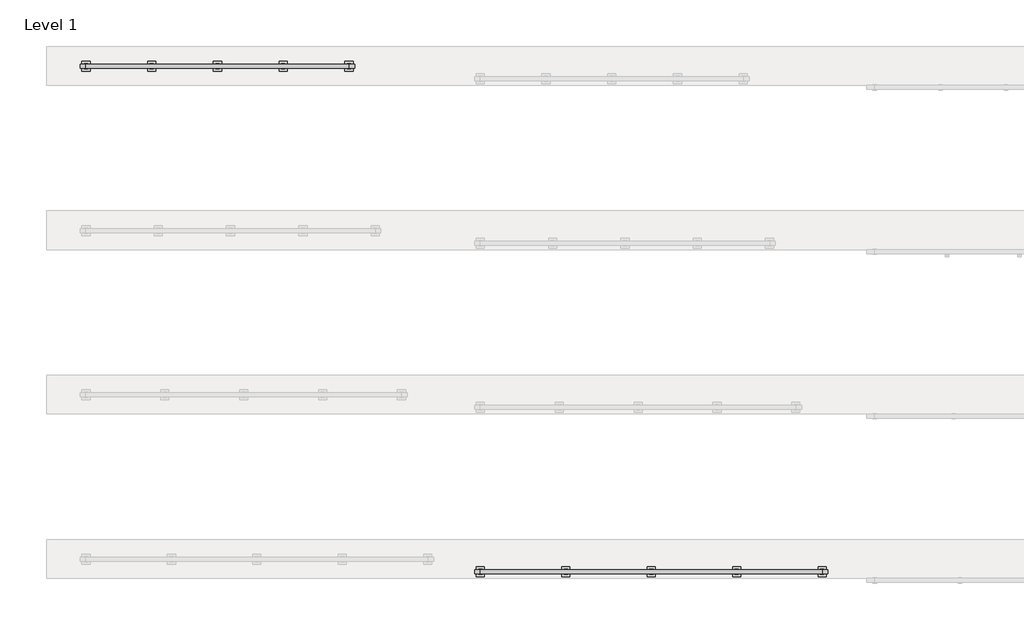
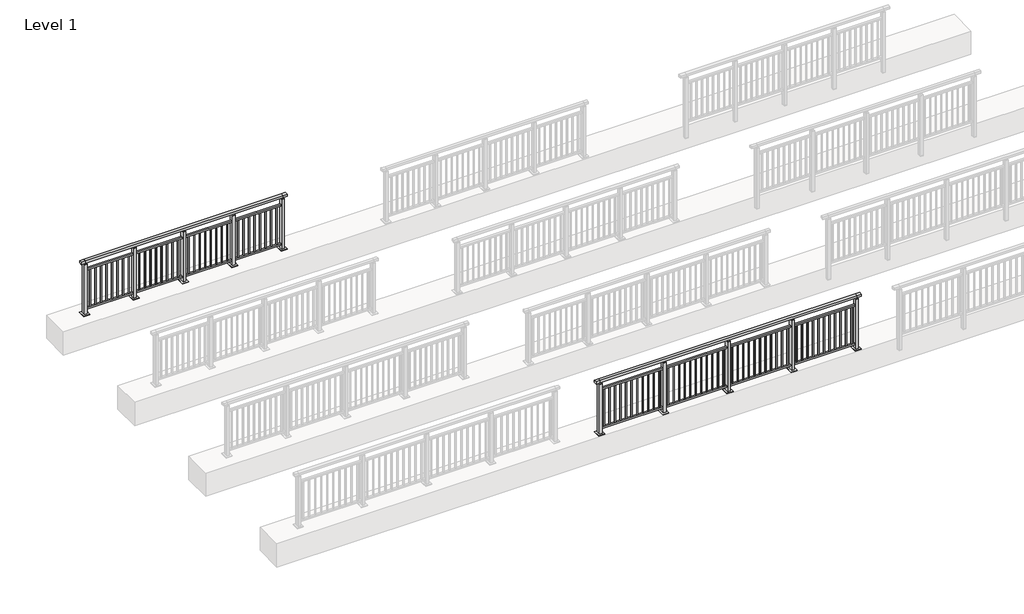
# One storey, part 4 of 38: 2 railings.
"""IFC4 building model written with IfcOpenShell, lengths in millimetres."""

from ifc_helpers import new_model, si_unit, frame, origin, origin_with_axes, place, context, project, spatial, polyline, outline, extrude, faceted_brep, element, save

model = new_model("IFC4")

# Units and contexts
model_context = context("Model", 3, world=origin())
ifc_project = project(units=[si_unit("LENGTHUNIT", "METRE", prefix="MILLI")], contexts=[model_context])

# Site, building, storey
site = spatial("IfcSite", under=ifc_project)
building = spatial("IfcBuilding", under=site)
storey = spatial("IfcBuildingStorey", under=building, Name="Level 1", Elevation=0.0)

# Railings
placement = place(None, origin())
element("IfcRailing", 1, at=placement, inside=storey, context=model_context, shape_type="SolidModel", body=[
    faceted_brep([(6000.0, 30.1846828, 1102.5), (6000.0, 30.1846828, 1150.0), (11200.0, 30.1846828, 1150.0), (11200.0, 30.1846828, 1102.5), (6000.0, -29.8153172, 1102.5), (11200.0, -29.8153172, 1102.5), (6000.0, -29.8153172, 1150.0), (11200.0, -29.8153172, 1150.0), (5912.5, 30.1846828, 1150.0), (5912.5, 30.1846828, 1102.5), (5912.5, -29.8153172, 1102.5), (5912.5, -29.8153172, 1150.0), (11287.5, 30.1846828, 1150.0), (11287.5, -29.8153172, 1150.0), (11287.5, -29.8153172, 1102.5), (11287.5, 30.1846828, 1102.5)], [[[0, 1, 2, 3]], [[4, 0, 3, 5]], [[6, 4, 5, 7]], [[1, 6, 7, 2]], [[8, 9, 10, 11]], [[9, 8, 1, 0]], [[10, 9, 0, 4]], [[11, 10, 4, 6]], [[8, 11, 6, 1]], [[12, 13, 14, 15]], [[3, 2, 12, 15]], [[5, 3, 15, 14]], [[7, 5, 14, 13]], [[2, 7, 13, 12]]]),
    extrude(outline(polyline([(6000.0, -17.8153172), (6000.0, 18.1846828), (11200.0, 18.1846828), (11200.0, -17.8153172), (6000.0, -17.8153172)])), frame((0.0, 0.0, 928.0), z_axis=(0.0, 0.0, 1.0), x_axis=(1.0, 0.0, 0.0)), (0.0, 0.0, 1.0), 32.0),
    extrude(outline(polyline([(6000.0, -17.8153172), (6000.0, 18.1846828), (11200.0, 18.1846828), (11200.0, -17.8153172), (6000.0, -17.8153172)])), frame((0.0, 0.0, 93.0), z_axis=(0.0, 0.0, 1.0), x_axis=(1.0, 0.0, 0.0)), (0.0, 0.0, 1.0), 32.0),
    extrude(outline(polyline([(11118.5, 8.6846828), (11118.5, -8.3153172), (11101.5, -8.3153172), (11101.5, 8.6846828), (11118.5, 8.6846828)])), frame((0.0, 0.0, 125.0), z_axis=(0.0, 0.0, 1.0), x_axis=(1.0, 0.0, 0.0)), (0.0, 0.0, 1.0), 803.0),
    extrude(outline(polyline([(11006.5, 8.6846828), (11006.5, -8.3153172), (10989.5, -8.3153172), (10989.5, 8.6846828), (11006.5, 8.6846828)])), frame((0.0, 0.0, 125.0), z_axis=(0.0, 0.0, 1.0), x_axis=(1.0, 0.0, 0.0)), (0.0, 0.0, 1.0), 803.0),
    extrude(outline(polyline([(10894.5, 8.6846828), (10894.5, -8.3153172), (10877.5, -8.3153172), (10877.5, 8.6846828), (10894.5, 8.6846828)])), frame((0.0, 0.0, 125.0), z_axis=(0.0, 0.0, 1.0), x_axis=(1.0, 0.0, 0.0)), (0.0, 0.0, 1.0), 803.0),
    extrude(outline(polyline([(10782.5, 8.6846828), (10782.5, -8.3153172), (10765.5, -8.3153172), (10765.5, 8.6846828), (10782.5, 8.6846828)])), frame((0.0, 0.0, 125.0), z_axis=(0.0, 0.0, 1.0), x_axis=(1.0, 0.0, 0.0)), (0.0, 0.0, 1.0), 803.0),
    extrude(outline(polyline([(10670.5, 8.6846828), (10670.5, -8.3153172), (10653.5, -8.3153172), (10653.5, 8.6846828), (10670.5, 8.6846828)])), frame((0.0, 0.0, 125.0), z_axis=(0.0, 0.0, 1.0), x_axis=(1.0, 0.0, 0.0)), (0.0, 0.0, 1.0), 803.0),
    extrude(outline(polyline([(10558.5, 8.6846828), (10558.5, -8.3153172), (10541.5, -8.3153172), (10541.5, 8.6846828), (10558.5, 8.6846828)])), frame((0.0, 0.0, 125.0), z_axis=(0.0, 0.0, 1.0), x_axis=(1.0, 0.0, 0.0)), (0.0, 0.0, 1.0), 803.0),
    extrude(outline(polyline([(10446.5, 8.6846828), (10446.5, -8.3153172), (10429.5, -8.3153172), (10429.5, 8.6846828), (10446.5, 8.6846828)])), frame((0.0, 0.0, 125.0), z_axis=(0.0, 0.0, 1.0), x_axis=(1.0, 0.0, 0.0)), (0.0, 0.0, 1.0), 803.0),
    extrude(outline(polyline([(10334.5, 8.6846828), (10334.5, -8.3153172), (10317.5, -8.3153172), (10317.5, 8.6846828), (10334.5, 8.6846828)])), frame((0.0, 0.0, 125.0), z_axis=(0.0, 0.0, 1.0), x_axis=(1.0, 0.0, 0.0)), (0.0, 0.0, 1.0), 803.0),
    extrude(outline(polyline([(10222.5, 8.6846828), (10222.5, -8.3153172), (10205.5, -8.3153172), (10205.5, 8.6846828), (10222.5, 8.6846828)])), frame((0.0, 0.0, 125.0), z_axis=(0.0, 0.0, 1.0), x_axis=(1.0, 0.0, 0.0)), (0.0, 0.0, 1.0), 803.0),
    extrude(outline(polyline([(10110.5, 8.6846828), (10110.5, -8.3153172), (10093.5, -8.3153172), (10093.5, 8.6846828), (10110.5, 8.6846828)])), frame((0.0, 0.0, 125.0), z_axis=(0.0, 0.0, 1.0), x_axis=(1.0, 0.0, 0.0)), (0.0, 0.0, 1.0), 803.0),
    extrude(outline(polyline([(9998.5, 8.6846828), (9998.5, -8.3153172), (9981.5, -8.3153172), (9981.5, 8.6846828), (9998.5, 8.6846828)])), frame((0.0, 0.0, 125.0), z_axis=(0.0, 0.0, 1.0), x_axis=(1.0, 0.0, 0.0)), (0.0, 0.0, 1.0), 803.0),
    extrude(outline(polyline([(9910.0, -9.8153172), (9890.0, -9.8153172), (9890.0, 10.1846828), (9910.0, 10.1846828), (9910.0, -9.8153172)])), frame((0.0, 0.0, 1085.0), z_axis=(0.0, 0.0, 1.0), x_axis=(1.0, 0.0, 0.0)), (0.0, 0.0, 1.0), 20.0),
    extrude(outline(polyline([(9927.0, -38.8153172), (9873.0, -38.8153172), (9873.0, 39.1846828), (9927.0, 39.1846828), (9927.0, -38.8153172)])), frame((0.0, 0.0, 1077.0), z_axis=(0.0, 0.0, 1.0), x_axis=(1.0, 0.0, 0.0)), (0.0, 0.0, 1.0), 8.0),
    extrude(outline(polyline([(9962.5, -74.8153172), (9837.5, -74.8153172), (9837.5, 75.1846828), (9962.5, 75.1846828), (9962.5, -74.8153172)])), origin_with_axes(), (0.0, 0.0, 1.0), 12.0),
    extrude(outline(polyline([(9927.0, -38.8153172), (9873.0, -38.8153172), (9873.0, 39.1846828), (9927.0, 39.1846828), (9927.0, -38.8153172)])), frame((0.0, 0.0, 12.0), z_axis=(0.0, 0.0, 1.0), x_axis=(1.0, 0.0, 0.0)), (0.0, 0.0, 1.0), 1065.0),
    extrude(outline(polyline([(9818.5, 8.6846828), (9818.5, -8.3153172), (9801.5, -8.3153172), (9801.5, 8.6846828), (9818.5, 8.6846828)])), frame((0.0, 0.0, 125.0), z_axis=(0.0, 0.0, 1.0), x_axis=(1.0, 0.0, 0.0)), (0.0, 0.0, 1.0), 803.0),
    extrude(outline(polyline([(9706.5, 8.6846828), (9706.5, -8.3153172), (9689.5, -8.3153172), (9689.5, 8.6846828), (9706.5, 8.6846828)])), frame((0.0, 0.0, 125.0), z_axis=(0.0, 0.0, 1.0), x_axis=(1.0, 0.0, 0.0)), (0.0, 0.0, 1.0), 803.0),
    extrude(outline(polyline([(9594.5, 8.6846828), (9594.5, -8.3153172), (9577.5, -8.3153172), (9577.5, 8.6846828), (9594.5, 8.6846828)])), frame((0.0, 0.0, 125.0), z_axis=(0.0, 0.0, 1.0), x_axis=(1.0, 0.0, 0.0)), (0.0, 0.0, 1.0), 803.0),
    extrude(outline(polyline([(9482.5, 8.6846828), (9482.5, -8.3153172), (9465.5, -8.3153172), (9465.5, 8.6846828), (9482.5, 8.6846828)])), frame((0.0, 0.0, 125.0), z_axis=(0.0, 0.0, 1.0), x_axis=(1.0, 0.0, 0.0)), (0.0, 0.0, 1.0), 803.0),
    extrude(outline(polyline([(9370.5, 8.6846828), (9370.5, -8.3153172), (9353.5, -8.3153172), (9353.5, 8.6846828), (9370.5, 8.6846828)])), frame((0.0, 0.0, 125.0), z_axis=(0.0, 0.0, 1.0), x_axis=(1.0, 0.0, 0.0)), (0.0, 0.0, 1.0), 803.0),
    extrude(outline(polyline([(9258.5, 8.6846828), (9258.5, -8.3153172), (9241.5, -8.3153172), (9241.5, 8.6846828), (9258.5, 8.6846828)])), frame((0.0, 0.0, 125.0), z_axis=(0.0, 0.0, 1.0), x_axis=(1.0, 0.0, 0.0)), (0.0, 0.0, 1.0), 803.0),
    extrude(outline(polyline([(9146.5, 8.6846828), (9146.5, -8.3153172), (9129.5, -8.3153172), (9129.5, 8.6846828), (9146.5, 8.6846828)])), frame((0.0, 0.0, 125.0), z_axis=(0.0, 0.0, 1.0), x_axis=(1.0, 0.0, 0.0)), (0.0, 0.0, 1.0), 803.0),
    extrude(outline(polyline([(9034.5, 8.6846828), (9034.5, -8.3153172), (9017.5, -8.3153172), (9017.5, 8.6846828), (9034.5, 8.6846828)])), frame((0.0, 0.0, 125.0), z_axis=(0.0, 0.0, 1.0), x_axis=(1.0, 0.0, 0.0)), (0.0, 0.0, 1.0), 803.0),
    extrude(outline(polyline([(8922.5, 8.6846828), (8922.5, -8.3153172), (8905.5, -8.3153172), (8905.5, 8.6846828), (8922.5, 8.6846828)])), frame((0.0, 0.0, 125.0), z_axis=(0.0, 0.0, 1.0), x_axis=(1.0, 0.0, 0.0)), (0.0, 0.0, 1.0), 803.0),
    extrude(outline(polyline([(8810.5, 8.6846828), (8810.5, -8.3153172), (8793.5, -8.3153172), (8793.5, 8.6846828), (8810.5, 8.6846828)])), frame((0.0, 0.0, 125.0), z_axis=(0.0, 0.0, 1.0), x_axis=(1.0, 0.0, 0.0)), (0.0, 0.0, 1.0), 803.0),
    extrude(outline(polyline([(8698.5, 8.6846828), (8698.5, -8.3153172), (8681.5, -8.3153172), (8681.5, 8.6846828), (8698.5, 8.6846828)])), frame((0.0, 0.0, 125.0), z_axis=(0.0, 0.0, 1.0), x_axis=(1.0, 0.0, 0.0)), (0.0, 0.0, 1.0), 803.0),
    extrude(outline(polyline([(8610.0, -9.8153172), (8590.0, -9.8153172), (8590.0, 10.1846828), (8610.0, 10.1846828), (8610.0, -9.8153172)])), frame((0.0, 0.0, 1085.0), z_axis=(0.0, 0.0, 1.0), x_axis=(1.0, 0.0, 0.0)), (0.0, 0.0, 1.0), 20.0),
    extrude(outline(polyline([(8627.0, -38.8153172), (8573.0, -38.8153172), (8573.0, 39.1846828), (8627.0, 39.1846828), (8627.0, -38.8153172)])), frame((0.0, 0.0, 1077.0), z_axis=(0.0, 0.0, 1.0), x_axis=(1.0, 0.0, 0.0)), (0.0, 0.0, 1.0), 8.0),
    extrude(outline(polyline([(8662.5, -74.8153172), (8537.5, -74.8153172), (8537.5, 75.1846828), (8662.5, 75.1846828), (8662.5, -74.8153172)])), origin_with_axes(), (0.0, 0.0, 1.0), 12.0),
    extrude(outline(polyline([(8627.0, -38.8153172), (8573.0, -38.8153172), (8573.0, 39.1846828), (8627.0, 39.1846828), (8627.0, -38.8153172)])), frame((0.0, 0.0, 12.0), z_axis=(0.0, 0.0, 1.0), x_axis=(1.0, 0.0, 0.0)), (0.0, 0.0, 1.0), 1065.0),
    extrude(outline(polyline([(8518.5, 8.6846828), (8518.5, -8.3153172), (8501.5, -8.3153172), (8501.5, 8.6846828), (8518.5, 8.6846828)])), frame((0.0, 0.0, 125.0), z_axis=(0.0, 0.0, 1.0), x_axis=(1.0, 0.0, 0.0)), (0.0, 0.0, 1.0), 803.0),
    extrude(outline(polyline([(8406.5, 8.6846828), (8406.5, -8.3153172), (8389.5, -8.3153172), (8389.5, 8.6846828), (8406.5, 8.6846828)])), frame((0.0, 0.0, 125.0), z_axis=(0.0, 0.0, 1.0), x_axis=(1.0, 0.0, 0.0)), (0.0, 0.0, 1.0), 803.0),
    extrude(outline(polyline([(8294.5, 8.6846828), (8294.5, -8.3153172), (8277.5, -8.3153172), (8277.5, 8.6846828), (8294.5, 8.6846828)])), frame((0.0, 0.0, 125.0), z_axis=(0.0, 0.0, 1.0), x_axis=(1.0, 0.0, 0.0)), (0.0, 0.0, 1.0), 803.0),
    extrude(outline(polyline([(8182.5, 8.6846828), (8182.5, -8.3153172), (8165.5, -8.3153172), (8165.5, 8.6846828), (8182.5, 8.6846828)])), frame((0.0, 0.0, 125.0), z_axis=(0.0, 0.0, 1.0), x_axis=(1.0, 0.0, 0.0)), (0.0, 0.0, 1.0), 803.0),
    extrude(outline(polyline([(8070.5, 8.6846828), (8070.5, -8.3153172), (8053.5, -8.3153172), (8053.5, 8.6846828), (8070.5, 8.6846828)])), frame((0.0, 0.0, 125.0), z_axis=(0.0, 0.0, 1.0), x_axis=(1.0, 0.0, 0.0)), (0.0, 0.0, 1.0), 803.0),
    extrude(outline(polyline([(7958.5, 8.6846828), (7958.5, -8.3153172), (7941.5, -8.3153172), (7941.5, 8.6846828), (7958.5, 8.6846828)])), frame((0.0, 0.0, 125.0), z_axis=(0.0, 0.0, 1.0), x_axis=(1.0, 0.0, 0.0)), (0.0, 0.0, 1.0), 803.0),
    extrude(outline(polyline([(7846.5, 8.6846828), (7846.5, -8.3153172), (7829.5, -8.3153172), (7829.5, 8.6846828), (7846.5, 8.6846828)])), frame((0.0, 0.0, 125.0), z_axis=(0.0, 0.0, 1.0), x_axis=(1.0, 0.0, 0.0)), (0.0, 0.0, 1.0), 803.0),
    extrude(outline(polyline([(7734.5, 8.6846828), (7734.5, -8.3153172), (7717.5, -8.3153172), (7717.5, 8.6846828), (7734.5, 8.6846828)])), frame((0.0, 0.0, 125.0), z_axis=(0.0, 0.0, 1.0), x_axis=(1.0, 0.0, 0.0)), (0.0, 0.0, 1.0), 803.0),
    extrude(outline(polyline([(7622.5, 8.6846828), (7622.5, -8.3153172), (7605.5, -8.3153172), (7605.5, 8.6846828), (7622.5, 8.6846828)])), frame((0.0, 0.0, 125.0), z_axis=(0.0, 0.0, 1.0), x_axis=(1.0, 0.0, 0.0)), (0.0, 0.0, 1.0), 803.0),
    extrude(outline(polyline([(7510.5, 8.6846828), (7510.5, -8.3153172), (7493.5, -8.3153172), (7493.5, 8.6846828), (7510.5, 8.6846828)])), frame((0.0, 0.0, 125.0), z_axis=(0.0, 0.0, 1.0), x_axis=(1.0, 0.0, 0.0)), (0.0, 0.0, 1.0), 803.0),
    extrude(outline(polyline([(7398.5, 8.6846828), (7398.5, -8.3153172), (7381.5, -8.3153172), (7381.5, 8.6846828), (7398.5, 8.6846828)])), frame((0.0, 0.0, 125.0), z_axis=(0.0, 0.0, 1.0), x_axis=(1.0, 0.0, 0.0)), (0.0, 0.0, 1.0), 803.0),
    extrude(outline(polyline([(7310.0, -9.8153172), (7290.0, -9.8153172), (7290.0, 10.1846828), (7310.0, 10.1846828), (7310.0, -9.8153172)])), frame((0.0, 0.0, 1085.0), z_axis=(0.0, 0.0, 1.0), x_axis=(1.0, 0.0, 0.0)), (0.0, 0.0, 1.0), 20.0),
    extrude(outline(polyline([(7327.0, -38.8153172), (7273.0, -38.8153172), (7273.0, 39.1846828), (7327.0, 39.1846828), (7327.0, -38.8153172)])), frame((0.0, 0.0, 1077.0), z_axis=(0.0, 0.0, 1.0), x_axis=(1.0, 0.0, 0.0)), (0.0, 0.0, 1.0), 8.0),
    extrude(outline(polyline([(7362.5, -74.8153172), (7237.5, -74.8153172), (7237.5, 75.1846828), (7362.5, 75.1846828), (7362.5, -74.8153172)])), origin_with_axes(), (0.0, 0.0, 1.0), 12.0),
    extrude(outline(polyline([(7327.0, -38.8153172), (7273.0, -38.8153172), (7273.0, 39.1846828), (7327.0, 39.1846828), (7327.0, -38.8153172)])), frame((0.0, 0.0, 12.0), z_axis=(0.0, 0.0, 1.0), x_axis=(1.0, 0.0, 0.0)), (0.0, 0.0, 1.0), 1065.0),
    extrude(outline(polyline([(7218.5, 8.6846828), (7218.5, -8.3153172), (7201.5, -8.3153172), (7201.5, 8.6846828), (7218.5, 8.6846828)])), frame((0.0, 0.0, 125.0), z_axis=(0.0, 0.0, 1.0), x_axis=(1.0, 0.0, 0.0)), (0.0, 0.0, 1.0), 803.0),
    extrude(outline(polyline([(7106.5, 8.6846828), (7106.5, -8.3153172), (7089.5, -8.3153172), (7089.5, 8.6846828), (7106.5, 8.6846828)])), frame((0.0, 0.0, 125.0), z_axis=(0.0, 0.0, 1.0), x_axis=(1.0, 0.0, 0.0)), (0.0, 0.0, 1.0), 803.0),
    extrude(outline(polyline([(6994.5, 8.6846828), (6994.5, -8.3153172), (6977.5, -8.3153172), (6977.5, 8.6846828), (6994.5, 8.6846828)])), frame((0.0, 0.0, 125.0), z_axis=(0.0, 0.0, 1.0), x_axis=(1.0, 0.0, 0.0)), (0.0, 0.0, 1.0), 803.0),
    extrude(outline(polyline([(6882.5, 8.6846828), (6882.5, -8.3153172), (6865.5, -8.3153172), (6865.5, 8.6846828), (6882.5, 8.6846828)])), frame((0.0, 0.0, 125.0), z_axis=(0.0, 0.0, 1.0), x_axis=(1.0, 0.0, 0.0)), (0.0, 0.0, 1.0), 803.0),
    extrude(outline(polyline([(6770.5, 8.6846828), (6770.5, -8.3153172), (6753.5, -8.3153172), (6753.5, 8.6846828), (6770.5, 8.6846828)])), frame((0.0, 0.0, 125.0), z_axis=(0.0, 0.0, 1.0), x_axis=(1.0, 0.0, 0.0)), (0.0, 0.0, 1.0), 803.0),
    extrude(outline(polyline([(6658.5, 8.6846828), (6658.5, -8.3153172), (6641.5, -8.3153172), (6641.5, 8.6846828), (6658.5, 8.6846828)])), frame((0.0, 0.0, 125.0), z_axis=(0.0, 0.0, 1.0), x_axis=(1.0, 0.0, 0.0)), (0.0, 0.0, 1.0), 803.0),
    extrude(outline(polyline([(6546.5, 8.6846828), (6546.5, -8.3153172), (6529.5, -8.3153172), (6529.5, 8.6846828), (6546.5, 8.6846828)])), frame((0.0, 0.0, 125.0), z_axis=(0.0, 0.0, 1.0), x_axis=(1.0, 0.0, 0.0)), (0.0, 0.0, 1.0), 803.0),
    extrude(outline(polyline([(6434.5, 8.6846828), (6434.5, -8.3153172), (6417.5, -8.3153172), (6417.5, 8.6846828), (6434.5, 8.6846828)])), frame((0.0, 0.0, 125.0), z_axis=(0.0, 0.0, 1.0), x_axis=(1.0, 0.0, 0.0)), (0.0, 0.0, 1.0), 803.0),
    extrude(outline(polyline([(6322.5, 8.6846828), (6322.5, -8.3153172), (6305.5, -8.3153172), (6305.5, 8.6846828), (6322.5, 8.6846828)])), frame((0.0, 0.0, 125.0), z_axis=(0.0, 0.0, 1.0), x_axis=(1.0, 0.0, 0.0)), (0.0, 0.0, 1.0), 803.0),
    extrude(outline(polyline([(6210.5, 8.6846828), (6210.5, -8.3153172), (6193.5, -8.3153172), (6193.5, 8.6846828), (6210.5, 8.6846828)])), frame((0.0, 0.0, 125.0), z_axis=(0.0, 0.0, 1.0), x_axis=(1.0, 0.0, 0.0)), (0.0, 0.0, 1.0), 803.0),
    extrude(outline(polyline([(6098.5, 8.6846828), (6098.5, -8.3153172), (6081.5, -8.3153172), (6081.5, 8.6846828), (6098.5, 8.6846828)])), frame((0.0, 0.0, 125.0), z_axis=(0.0, 0.0, 1.0), x_axis=(1.0, 0.0, 0.0)), (0.0, 0.0, 1.0), 803.0),
    extrude(outline(polyline([(11210.0, -9.8153172), (11190.0, -9.8153172), (11190.0, 10.1846828), (11210.0, 10.1846828), (11210.0, -9.8153172)])), frame((0.0, 0.0, 1085.0), z_axis=(0.0, 0.0, 1.0), x_axis=(1.0, 0.0, 0.0)), (0.0, 0.0, 1.0), 20.0),
    extrude(outline(polyline([(11227.0, -38.8153172), (11173.0, -38.8153172), (11173.0, 39.1846828), (11227.0, 39.1846828), (11227.0, -38.8153172)])), frame((0.0, 0.0, 1077.0), z_axis=(0.0, 0.0, 1.0), x_axis=(1.0, 0.0, 0.0)), (0.0, 0.0, 1.0), 8.0),
    extrude(outline(polyline([(11262.5, -74.8153172), (11137.5, -74.8153172), (11137.5, 75.1846828), (11262.5, 75.1846828), (11262.5, -74.8153172)])), origin_with_axes(), (0.0, 0.0, 1.0), 12.0),
    extrude(outline(polyline([(11227.0, -38.8153172), (11173.0, -38.8153172), (11173.0, 39.1846828), (11227.0, 39.1846828), (11227.0, -38.8153172)])), frame((0.0, 0.0, 12.0), z_axis=(0.0, 0.0, 1.0), x_axis=(1.0, 0.0, 0.0)), (0.0, 0.0, 1.0), 1065.0),
    extrude(outline(polyline([(6010.0, -9.8153172), (5990.0, -9.8153172), (5990.0, 10.1846828), (6010.0, 10.1846828), (6010.0, -9.8153172)])), frame((0.0, 0.0, 1085.0), z_axis=(0.0, 0.0, 1.0), x_axis=(1.0, 0.0, 0.0)), (0.0, 0.0, 1.0), 20.0),
    extrude(outline(polyline([(6027.0, -38.8153172), (5973.0, -38.8153172), (5973.0, 39.1846828), (6027.0, 39.1846828), (6027.0, -38.8153172)])), frame((0.0, 0.0, 1077.0), z_axis=(0.0, 0.0, 1.0), x_axis=(1.0, 0.0, 0.0)), (0.0, 0.0, 1.0), 8.0),
    extrude(outline(polyline([(6062.5, -74.8153172), (5937.5, -74.8153172), (5937.5, 75.1846828), (6062.5, 75.1846828), (6062.5, -74.8153172)])), origin_with_axes(), (0.0, 0.0, 1.0), 12.0),
    extrude(outline(polyline([(6027.0, -38.8153172), (5973.0, -38.8153172), (5973.0, 39.1846828), (6027.0, 39.1846828), (6027.0, -38.8153172)])), frame((0.0, 0.0, 12.0), z_axis=(0.0, 0.0, 1.0), x_axis=(1.0, 0.0, 0.0)), (0.0, 0.0, 1.0), 1065.0),
])
element("IfcRailing", 2, at=placement, inside=storey, context=model_context, shape_type="SolidModel", body=[
    faceted_brep([(0.0, 7720.1846828, 1102.5), (0.0, 7720.1846828, 1150.0), (4000.0, 7720.1846828, 1150.0), (4000.0, 7720.1846828, 1102.5), (0.0, 7660.1846828, 1102.5), (4000.0, 7660.1846828, 1102.5), (0.0, 7660.1846828, 1150.0), (4000.0, 7660.1846828, 1150.0), (-87.5, 7720.1846828, 1150.0), (-87.5, 7720.1846828, 1102.5), (-87.5, 7660.1846828, 1102.5), (-87.5, 7660.1846828, 1150.0), (4087.5, 7720.1846828, 1150.0), (4087.5, 7660.1846828, 1150.0), (4087.5, 7660.1846828, 1102.5), (4087.5, 7720.1846828, 1102.5)], [[[0, 1, 2, 3]], [[4, 0, 3, 5]], [[6, 4, 5, 7]], [[1, 6, 7, 2]], [[8, 9, 10, 11]], [[9, 8, 1, 0]], [[10, 9, 0, 4]], [[11, 10, 4, 6]], [[8, 11, 6, 1]], [[12, 13, 14, 15]], [[3, 2, 12, 15]], [[5, 3, 15, 14]], [[7, 5, 14, 13]], [[2, 7, 13, 12]]]),
    extrude(outline(polyline([(0.0, 7672.1846828), (0.0, 7708.1846828), (4000.0, 7708.1846828), (4000.0, 7672.1846828), (0.0, 7672.1846828)])), frame((0.0, 0.0, 928.0), z_axis=(0.0, 0.0, 1.0), x_axis=(1.0, 0.0, 0.0)), (0.0, 0.0, 1.0), 32.0),
    extrude(outline(polyline([(0.0, 7672.1846828), (0.0, 7708.1846828), (4000.0, 7708.1846828), (4000.0, 7672.1846828), (0.0, 7672.1846828)])), frame((0.0, 0.0, 93.0), z_axis=(0.0, 0.0, 1.0), x_axis=(1.0, 0.0, 0.0)), (0.0, 0.0, 1.0), 32.0),
    extrude(outline(polyline([(3900.5, 7698.6846828), (3900.5, 7681.6846828), (3883.5, 7681.6846828), (3883.5, 7698.6846828), (3900.5, 7698.6846828)])), frame((0.0, 0.0, 125.0), z_axis=(0.0, 0.0, 1.0), x_axis=(1.0, 0.0, 0.0)), (0.0, 0.0, 1.0), 803.0),
    extrude(outline(polyline([(3788.5, 7698.6846828), (3788.5, 7681.6846828), (3771.5, 7681.6846828), (3771.5, 7698.6846828), (3788.5, 7698.6846828)])), frame((0.0, 0.0, 125.0), z_axis=(0.0, 0.0, 1.0), x_axis=(1.0, 0.0, 0.0)), (0.0, 0.0, 1.0), 803.0),
    extrude(outline(polyline([(3676.5, 7698.6846828), (3676.5, 7681.6846828), (3659.5, 7681.6846828), (3659.5, 7698.6846828), (3676.5, 7698.6846828)])), frame((0.0, 0.0, 125.0), z_axis=(0.0, 0.0, 1.0), x_axis=(1.0, 0.0, 0.0)), (0.0, 0.0, 1.0), 803.0),
    extrude(outline(polyline([(3564.5, 7698.6846828), (3564.5, 7681.6846828), (3547.5, 7681.6846828), (3547.5, 7698.6846828), (3564.5, 7698.6846828)])), frame((0.0, 0.0, 125.0), z_axis=(0.0, 0.0, 1.0), x_axis=(1.0, 0.0, 0.0)), (0.0, 0.0, 1.0), 803.0),
    extrude(outline(polyline([(3452.5, 7698.6846828), (3452.5, 7681.6846828), (3435.5, 7681.6846828), (3435.5, 7698.6846828), (3452.5, 7698.6846828)])), frame((0.0, 0.0, 125.0), z_axis=(0.0, 0.0, 1.0), x_axis=(1.0, 0.0, 0.0)), (0.0, 0.0, 1.0), 803.0),
    extrude(outline(polyline([(3340.5, 7698.6846828), (3340.5, 7681.6846828), (3323.5, 7681.6846828), (3323.5, 7698.6846828), (3340.5, 7698.6846828)])), frame((0.0, 0.0, 125.0), z_axis=(0.0, 0.0, 1.0), x_axis=(1.0, 0.0, 0.0)), (0.0, 0.0, 1.0), 803.0),
    extrude(outline(polyline([(3228.5, 7698.6846828), (3228.5, 7681.6846828), (3211.5, 7681.6846828), (3211.5, 7698.6846828), (3228.5, 7698.6846828)])), frame((0.0, 0.0, 125.0), z_axis=(0.0, 0.0, 1.0), x_axis=(1.0, 0.0, 0.0)), (0.0, 0.0, 1.0), 803.0),
    extrude(outline(polyline([(3116.5, 7698.6846828), (3116.5, 7681.6846828), (3099.5, 7681.6846828), (3099.5, 7698.6846828), (3116.5, 7698.6846828)])), frame((0.0, 0.0, 125.0), z_axis=(0.0, 0.0, 1.0), x_axis=(1.0, 0.0, 0.0)), (0.0, 0.0, 1.0), 803.0),
    extrude(outline(polyline([(3010.0, 7680.1846828), (2990.0, 7680.1846828), (2990.0, 7700.1846828), (3010.0, 7700.1846828), (3010.0, 7680.1846828)])), frame((0.0, 0.0, 1085.0), z_axis=(0.0, 0.0, 1.0), x_axis=(1.0, 0.0, 0.0)), (0.0, 0.0, 1.0), 20.0),
    extrude(outline(polyline([(3027.0, 7651.1846828), (2973.0, 7651.1846828), (2973.0, 7729.1846828), (3027.0, 7729.1846828), (3027.0, 7651.1846828)])), frame((0.0, 0.0, 1077.0), z_axis=(0.0, 0.0, 1.0), x_axis=(1.0, 0.0, 0.0)), (0.0, 0.0, 1.0), 8.0),
    extrude(outline(polyline([(3062.5, 7615.1846828), (2937.5, 7615.1846828), (2937.5, 7765.1846828), (3062.5, 7765.1846828), (3062.5, 7615.1846828)])), origin_with_axes(), (0.0, 0.0, 1.0), 12.0),
    extrude(outline(polyline([(3027.0, 7651.1846828), (2973.0, 7651.1846828), (2973.0, 7729.1846828), (3027.0, 7729.1846828), (3027.0, 7651.1846828)])), frame((0.0, 0.0, 12.0), z_axis=(0.0, 0.0, 1.0), x_axis=(1.0, 0.0, 0.0)), (0.0, 0.0, 1.0), 1065.0),
    extrude(outline(polyline([(2900.5, 7698.6846828), (2900.5, 7681.6846828), (2883.5, 7681.6846828), (2883.5, 7698.6846828), (2900.5, 7698.6846828)])), frame((0.0, 0.0, 125.0), z_axis=(0.0, 0.0, 1.0), x_axis=(1.0, 0.0, 0.0)), (0.0, 0.0, 1.0), 803.0),
    extrude(outline(polyline([(2788.5, 7698.6846828), (2788.5, 7681.6846828), (2771.5, 7681.6846828), (2771.5, 7698.6846828), (2788.5, 7698.6846828)])), frame((0.0, 0.0, 125.0), z_axis=(0.0, 0.0, 1.0), x_axis=(1.0, 0.0, 0.0)), (0.0, 0.0, 1.0), 803.0),
    extrude(outline(polyline([(2676.5, 7698.6846828), (2676.5, 7681.6846828), (2659.5, 7681.6846828), (2659.5, 7698.6846828), (2676.5, 7698.6846828)])), frame((0.0, 0.0, 125.0), z_axis=(0.0, 0.0, 1.0), x_axis=(1.0, 0.0, 0.0)), (0.0, 0.0, 1.0), 803.0),
    extrude(outline(polyline([(2564.5, 7698.6846828), (2564.5, 7681.6846828), (2547.5, 7681.6846828), (2547.5, 7698.6846828), (2564.5, 7698.6846828)])), frame((0.0, 0.0, 125.0), z_axis=(0.0, 0.0, 1.0), x_axis=(1.0, 0.0, 0.0)), (0.0, 0.0, 1.0), 803.0),
    extrude(outline(polyline([(2452.5, 7698.6846828), (2452.5, 7681.6846828), (2435.5, 7681.6846828), (2435.5, 7698.6846828), (2452.5, 7698.6846828)])), frame((0.0, 0.0, 125.0), z_axis=(0.0, 0.0, 1.0), x_axis=(1.0, 0.0, 0.0)), (0.0, 0.0, 1.0), 803.0),
    extrude(outline(polyline([(2340.5, 7698.6846828), (2340.5, 7681.6846828), (2323.5, 7681.6846828), (2323.5, 7698.6846828), (2340.5, 7698.6846828)])), frame((0.0, 0.0, 125.0), z_axis=(0.0, 0.0, 1.0), x_axis=(1.0, 0.0, 0.0)), (0.0, 0.0, 1.0), 803.0),
    extrude(outline(polyline([(2228.5, 7698.6846828), (2228.5, 7681.6846828), (2211.5, 7681.6846828), (2211.5, 7698.6846828), (2228.5, 7698.6846828)])), frame((0.0, 0.0, 125.0), z_axis=(0.0, 0.0, 1.0), x_axis=(1.0, 0.0, 0.0)), (0.0, 0.0, 1.0), 803.0),
    extrude(outline(polyline([(2116.5, 7698.6846828), (2116.5, 7681.6846828), (2099.5, 7681.6846828), (2099.5, 7698.6846828), (2116.5, 7698.6846828)])), frame((0.0, 0.0, 125.0), z_axis=(0.0, 0.0, 1.0), x_axis=(1.0, 0.0, 0.0)), (0.0, 0.0, 1.0), 803.0),
    extrude(outline(polyline([(2010.0, 7680.1846828), (1990.0, 7680.1846828), (1990.0, 7700.1846828), (2010.0, 7700.1846828), (2010.0, 7680.1846828)])), frame((0.0, 0.0, 1085.0), z_axis=(0.0, 0.0, 1.0), x_axis=(1.0, 0.0, 0.0)), (0.0, 0.0, 1.0), 20.0),
    extrude(outline(polyline([(2027.0, 7651.1846828), (1973.0, 7651.1846828), (1973.0, 7729.1846828), (2027.0, 7729.1846828), (2027.0, 7651.1846828)])), frame((0.0, 0.0, 1077.0), z_axis=(0.0, 0.0, 1.0), x_axis=(1.0, 0.0, 0.0)), (0.0, 0.0, 1.0), 8.0),
    extrude(outline(polyline([(2062.5, 7615.1846828), (1937.5, 7615.1846828), (1937.5, 7765.1846828), (2062.5, 7765.1846828), (2062.5, 7615.1846828)])), origin_with_axes(), (0.0, 0.0, 1.0), 12.0),
    extrude(outline(polyline([(2027.0, 7651.1846828), (1973.0, 7651.1846828), (1973.0, 7729.1846828), (2027.0, 7729.1846828), (2027.0, 7651.1846828)])), frame((0.0, 0.0, 12.0), z_axis=(0.0, 0.0, 1.0), x_axis=(1.0, 0.0, 0.0)), (0.0, 0.0, 1.0), 1065.0),
    extrude(outline(polyline([(1900.5, 7698.6846828), (1900.5, 7681.6846828), (1883.5, 7681.6846828), (1883.5, 7698.6846828), (1900.5, 7698.6846828)])), frame((0.0, 0.0, 125.0), z_axis=(0.0, 0.0, 1.0), x_axis=(1.0, 0.0, 0.0)), (0.0, 0.0, 1.0), 803.0),
    extrude(outline(polyline([(1788.5, 7698.6846828), (1788.5, 7681.6846828), (1771.5, 7681.6846828), (1771.5, 7698.6846828), (1788.5, 7698.6846828)])), frame((0.0, 0.0, 125.0), z_axis=(0.0, 0.0, 1.0), x_axis=(1.0, 0.0, 0.0)), (0.0, 0.0, 1.0), 803.0),
    extrude(outline(polyline([(1676.5, 7698.6846828), (1676.5, 7681.6846828), (1659.5, 7681.6846828), (1659.5, 7698.6846828), (1676.5, 7698.6846828)])), frame((0.0, 0.0, 125.0), z_axis=(0.0, 0.0, 1.0), x_axis=(1.0, 0.0, 0.0)), (0.0, 0.0, 1.0), 803.0),
    extrude(outline(polyline([(1564.5, 7698.6846828), (1564.5, 7681.6846828), (1547.5, 7681.6846828), (1547.5, 7698.6846828), (1564.5, 7698.6846828)])), frame((0.0, 0.0, 125.0), z_axis=(0.0, 0.0, 1.0), x_axis=(1.0, 0.0, 0.0)), (0.0, 0.0, 1.0), 803.0),
    extrude(outline(polyline([(1452.5, 7698.6846828), (1452.5, 7681.6846828), (1435.5, 7681.6846828), (1435.5, 7698.6846828), (1452.5, 7698.6846828)])), frame((0.0, 0.0, 125.0), z_axis=(0.0, 0.0, 1.0), x_axis=(1.0, 0.0, 0.0)), (0.0, 0.0, 1.0), 803.0),
    extrude(outline(polyline([(1340.5, 7698.6846828), (1340.5, 7681.6846828), (1323.5, 7681.6846828), (1323.5, 7698.6846828), (1340.5, 7698.6846828)])), frame((0.0, 0.0, 125.0), z_axis=(0.0, 0.0, 1.0), x_axis=(1.0, 0.0, 0.0)), (0.0, 0.0, 1.0), 803.0),
    extrude(outline(polyline([(1228.5, 7698.6846828), (1228.5, 7681.6846828), (1211.5, 7681.6846828), (1211.5, 7698.6846828), (1228.5, 7698.6846828)])), frame((0.0, 0.0, 125.0), z_axis=(0.0, 0.0, 1.0), x_axis=(1.0, 0.0, 0.0)), (0.0, 0.0, 1.0), 803.0),
    extrude(outline(polyline([(1116.5, 7698.6846828), (1116.5, 7681.6846828), (1099.5, 7681.6846828), (1099.5, 7698.6846828), (1116.5, 7698.6846828)])), frame((0.0, 0.0, 125.0), z_axis=(0.0, 0.0, 1.0), x_axis=(1.0, 0.0, 0.0)), (0.0, 0.0, 1.0), 803.0),
    extrude(outline(polyline([(1010.0, 7680.1846828), (990.0, 7680.1846828), (990.0, 7700.1846828), (1010.0, 7700.1846828), (1010.0, 7680.1846828)])), frame((0.0, 0.0, 1085.0), z_axis=(0.0, 0.0, 1.0), x_axis=(1.0, 0.0, 0.0)), (0.0, 0.0, 1.0), 20.0),
    extrude(outline(polyline([(1027.0, 7651.1846828), (973.0, 7651.1846828), (973.0, 7729.1846828), (1027.0, 7729.1846828), (1027.0, 7651.1846828)])), frame((0.0, 0.0, 1077.0), z_axis=(0.0, 0.0, 1.0), x_axis=(1.0, 0.0, 0.0)), (0.0, 0.0, 1.0), 8.0),
    extrude(outline(polyline([(1062.5, 7615.1846828), (937.5, 7615.1846828), (937.5, 7765.1846828), (1062.5, 7765.1846828), (1062.5, 7615.1846828)])), origin_with_axes(), (0.0, 0.0, 1.0), 12.0),
    extrude(outline(polyline([(1027.0, 7651.1846828), (973.0, 7651.1846828), (973.0, 7729.1846828), (1027.0, 7729.1846828), (1027.0, 7651.1846828)])), frame((0.0, 0.0, 12.0), z_axis=(0.0, 0.0, 1.0), x_axis=(1.0, 0.0, 0.0)), (0.0, 0.0, 1.0), 1065.0),
    extrude(outline(polyline([(900.5, 7698.6846828), (900.5, 7681.6846828), (883.5, 7681.6846828), (883.5, 7698.6846828), (900.5, 7698.6846828)])), frame((0.0, 0.0, 125.0), z_axis=(0.0, 0.0, 1.0), x_axis=(1.0, 0.0, 0.0)), (0.0, 0.0, 1.0), 803.0),
    extrude(outline(polyline([(788.5, 7698.6846828), (788.5, 7681.6846828), (771.5, 7681.6846828), (771.5, 7698.6846828), (788.5, 7698.6846828)])), frame((0.0, 0.0, 125.0), z_axis=(0.0, 0.0, 1.0), x_axis=(1.0, 0.0, 0.0)), (0.0, 0.0, 1.0), 803.0),
    extrude(outline(polyline([(676.5, 7698.6846828), (676.5, 7681.6846828), (659.5, 7681.6846828), (659.5, 7698.6846828), (676.5, 7698.6846828)])), frame((0.0, 0.0, 125.0), z_axis=(0.0, 0.0, 1.0), x_axis=(1.0, 0.0, 0.0)), (0.0, 0.0, 1.0), 803.0),
    extrude(outline(polyline([(564.5, 7698.6846828), (564.5, 7681.6846828), (547.5, 7681.6846828), (547.5, 7698.6846828), (564.5, 7698.6846828)])), frame((0.0, 0.0, 125.0), z_axis=(0.0, 0.0, 1.0), x_axis=(1.0, 0.0, 0.0)), (0.0, 0.0, 1.0), 803.0),
    extrude(outline(polyline([(452.5, 7698.6846828), (452.5, 7681.6846828), (435.5, 7681.6846828), (435.5, 7698.6846828), (452.5, 7698.6846828)])), frame((0.0, 0.0, 125.0), z_axis=(0.0, 0.0, 1.0), x_axis=(1.0, 0.0, 0.0)), (0.0, 0.0, 1.0), 803.0),
    extrude(outline(polyline([(340.5, 7698.6846828), (340.5, 7681.6846828), (323.5, 7681.6846828), (323.5, 7698.6846828), (340.5, 7698.6846828)])), frame((0.0, 0.0, 125.0), z_axis=(0.0, 0.0, 1.0), x_axis=(1.0, 0.0, 0.0)), (0.0, 0.0, 1.0), 803.0),
    extrude(outline(polyline([(228.5, 7698.6846828), (228.5, 7681.6846828), (211.5, 7681.6846828), (211.5, 7698.6846828), (228.5, 7698.6846828)])), frame((0.0, 0.0, 125.0), z_axis=(0.0, 0.0, 1.0), x_axis=(1.0, 0.0, 0.0)), (0.0, 0.0, 1.0), 803.0),
    extrude(outline(polyline([(116.5, 7698.6846828), (116.5, 7681.6846828), (99.5, 7681.6846828), (99.5, 7698.6846828), (116.5, 7698.6846828)])), frame((0.0, 0.0, 125.0), z_axis=(0.0, 0.0, 1.0), x_axis=(1.0, 0.0, 0.0)), (0.0, 0.0, 1.0), 803.0),
    extrude(outline(polyline([(4010.0, 7680.1846828), (3990.0, 7680.1846828), (3990.0, 7700.1846828), (4010.0, 7700.1846828), (4010.0, 7680.1846828)])), frame((0.0, 0.0, 1085.0), z_axis=(0.0, 0.0, 1.0), x_axis=(1.0, 0.0, 0.0)), (0.0, 0.0, 1.0), 20.0),
    extrude(outline(polyline([(4027.0, 7651.1846828), (3973.0, 7651.1846828), (3973.0, 7729.1846828), (4027.0, 7729.1846828), (4027.0, 7651.1846828)])), frame((0.0, 0.0, 1077.0), z_axis=(0.0, 0.0, 1.0), x_axis=(1.0, 0.0, 0.0)), (0.0, 0.0, 1.0), 8.0),
    extrude(outline(polyline([(4062.5, 7615.1846828), (3937.5, 7615.1846828), (3937.5, 7765.1846828), (4062.5, 7765.1846828), (4062.5, 7615.1846828)])), origin_with_axes(), (0.0, 0.0, 1.0), 12.0),
    extrude(outline(polyline([(4027.0, 7651.1846828), (3973.0, 7651.1846828), (3973.0, 7729.1846828), (4027.0, 7729.1846828), (4027.0, 7651.1846828)])), frame((0.0, 0.0, 12.0), z_axis=(0.0, 0.0, 1.0), x_axis=(1.0, 0.0, 0.0)), (0.0, 0.0, 1.0), 1065.0),
    extrude(outline(polyline([(10.0, 7680.1846828), (-10.0, 7680.1846828), (-10.0, 7700.1846828), (10.0, 7700.1846828), (10.0, 7680.1846828)])), frame((0.0, 0.0, 1085.0), z_axis=(0.0, 0.0, 1.0), x_axis=(1.0, 0.0, 0.0)), (0.0, 0.0, 1.0), 20.0),
    extrude(outline(polyline([(27.0, 7651.1846828), (-27.0, 7651.1846828), (-27.0, 7729.1846828), (27.0, 7729.1846828), (27.0, 7651.1846828)])), frame((0.0, 0.0, 1077.0), z_axis=(0.0, 0.0, 1.0), x_axis=(1.0, 0.0, 0.0)), (0.0, 0.0, 1.0), 8.0),
    extrude(outline(polyline([(62.5, 7615.1846828), (-62.5, 7615.1846828), (-62.5, 7765.1846828), (62.5, 7765.1846828), (62.5, 7615.1846828)])), origin_with_axes(), (0.0, 0.0, 1.0), 12.0),
    extrude(outline(polyline([(27.0, 7651.1846828), (-27.0, 7651.1846828), (-27.0, 7729.1846828), (27.0, 7729.1846828), (27.0, 7651.1846828)])), frame((0.0, 0.0, 12.0), z_axis=(0.0, 0.0, 1.0), x_axis=(1.0, 0.0, 0.0)), (0.0, 0.0, 1.0), 1065.0),
])

save(model, "model.ifc")
